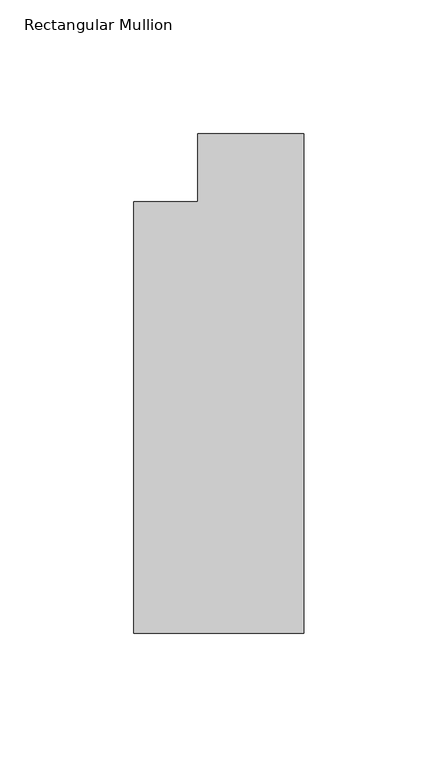
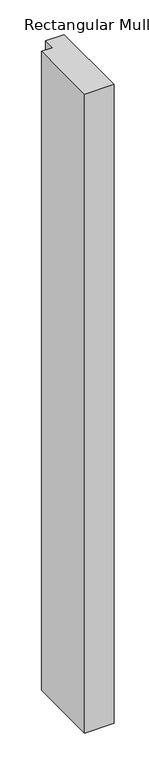
"""IFC4 building model written with IfcOpenShell, lengths in millimetres: member geometry, Rectangular Mullion."""

from ifc_helpers import new_model, si_unit, frame, origin, place, context, project, spatial, polyline, outline, extrude, source, transform, mapped, element, save


def rectangular_mullion_b007ff3a(model_context):
    return source(origin(), model_context, "Body", "SweptSolid", [
        extrude(outline(polyline([(-63.5, -173.83125), (-63.5, -12.7), (-39.6875, -12.7), (-39.6875, 12.7), (0.0, 12.7), (0.0, -173.83125), (-63.5, -173.83125)])), frame((0.0, 0.0, -1460.5), z_axis=(0.0, 0.0, 1.0), x_axis=(1.0, 0.0, 0.0)), (0.0, 0.0, 1.0), 1460.5),
    ])


if __name__ == "__main__":
    model = new_model("IFC4")
    model_context = context("Model", 3, world=origin())
    ifc_project = project(units=[si_unit("LENGTHUNIT", "METRE", prefix="MILLI")], contexts=[model_context])
    site = spatial("IfcSite", under=ifc_project)
    building = spatial("IfcBuilding", under=site)
    placement = place(None, origin())
    rectangular_mullion_shape = rectangular_mullion_b007ff3a(model_context)
    element("IfcMember", 1, ObjectType="Rectangular Mullion", at=placement, inside=building, context=model_context, shape_type="MappedRepresentation", body=[
        mapped(rectangular_mullion_shape, transform((0.0, 0.0, 0.0), x_axis=(1.0, 0.0, 0.0), y_axis=(0.0, 1.0, 0.0), z_axis=(0.0, 0.0, 1.0))),
    ])
    save(model, "model.ifc")
